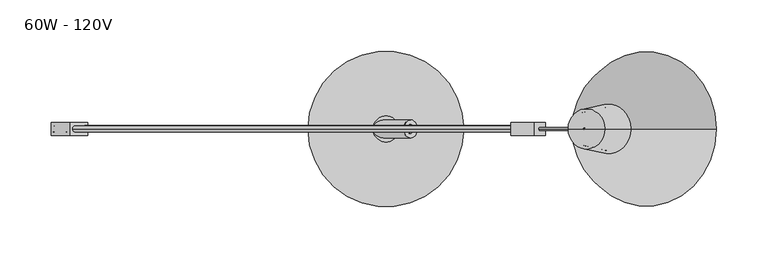
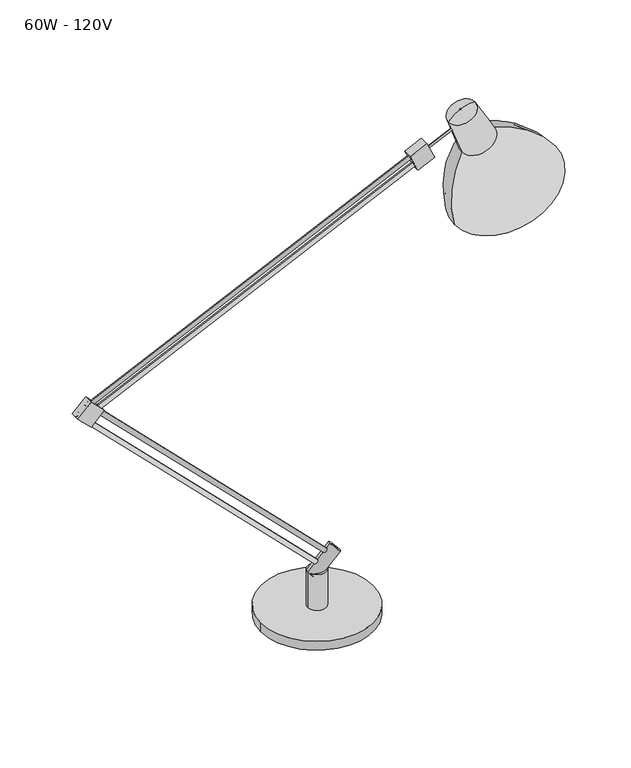
"""IFC4 building model written with IfcOpenShell, lengths in millimetres: light fixture geometry, 60W - 120V."""

from ifc_helpers import new_model, si_unit, point, frame, origin, origin_with_axes, origin_2d, place, context, project, spatial, polyline, circle_curve, ellipse_curve, trimmed, segment, composite_curve, outline, extrude, source, transform, mapped, element, save
from ifc_brep_helpers import plane_surface, cylinder_surface, revolved_surface, advanced_brep


def light_fixture_60w_120v_4844b612(model_context):
    return source(origin(), model_context, "Body", "SolidModel", [
        advanced_brep(
        [(323.1317321, 0.0, 555.0810324), (186.1348137, 0.0, 491.1983202), (195.9295385, 0.0, 591.5959935), (239.9267246, 0.0, 612.1122183), (321.1881543, 0.0, 553.9589072), (188.2437192, 0.0, 491.965899), (237.1689067, 0.0, 610.5199914), (198.9219463, 0.0, 592.6851409), (211.7689067, 0.0, 654.5140819), (181.547323, 0.0, 640.421526), (195.4961647, 0.0, 651.5995573), (194.2398953, 0.0, 651.0137493), (194.5181424, 0.0, 653.6969331), (193.2618729, 0.0, 653.111125), (213.940532, 0.0, 657.1216244), (178.1539358, 0.0, 640.4340605)],
        [
            (0, 1, circle_curve(frame((254.6332729, 0.0, 523.1396763), z_axis=(-0.4226182617406946, 0.0, 0.9063077870366523), x_axis=(-0.9063077870366523, 0.0, -0.4226182617406946)), 75.5796874)),
            (1, 2, circle_curve(frame((334.1432405, 0.0, 527.4353443), z_axis=(0.0, 1.0, 0.0), x_axis=(1.0, 0.0, 0.0)), 152.3798423)),
            (2, 3, circle_curve(frame((217.9281316, 0.0, 601.8541059), z_axis=(0.4226182617406946, 0.0, -0.9063077870366523), x_axis=(-0.9063077870366523, 0.0, -0.4226182617406946)), 24.2727619)),
            (3, 0, circle_curve(frame((200.2345783, 0.0, 464.9927096), z_axis=(0.0, 1.0, 0.0), x_axis=(-0.6427876096865476, 0.0, -0.7660444431189712)), 152.3798423)),
            (1, 0, circle_curve(frame((254.6332729, 0.0, 523.1396763), z_axis=(-0.4226182617406946, 0.0, 0.9063077870366523), x_axis=(-0.9063077870366523, 0.0, -0.4226182617406946)), 75.5796874)),
            (3, 2, circle_curve(frame((217.9281316, 0.0, 601.8541059), z_axis=(0.4226182617406946, 0.0, -0.9063077870366523), x_axis=(-0.9063077870366523, 0.0, -0.4226182617406946)), 24.2727619)),
            (4, 5, circle_curve(frame((254.7159368, 0.0, 522.9624031), z_axis=(-0.4226182617406946, 0.0, 0.9063077870366523), x_axis=(-0.9063077870366523, 0.0, -0.4226182617406946)), 73.3439771)),
            (5, 1),
            (0, 4),
            (5, 4, circle_curve(frame((254.7159368, 0.0, 522.9624031), z_axis=(-0.4226182617406946, 0.0, 0.9063077870366523), x_axis=(-0.9063077870366523, 0.0, -0.4226182617406946)), 73.3439771)),
            (6, 7, circle_curve(frame((218.0454265, 0.0, 601.6025661), z_axis=(-0.4226182617406946, 0.0, 0.9063077870366523), x_axis=(-0.9063077870366523, 0.0, -0.4226182617406946)), 21.1004258)),
            (7, 5, circle_curve(frame((336.5004074, 0.0, 527.1734369), z_axis=(0.0, -1.0, 0.0), x_axis=(1.0, 0.0, 0.0)), 152.3798423)),
            (4, 6, circle_curve(frame((198.9200533, 0.0, 463.0186641), z_axis=(0.0, -1.0, 0.0), x_axis=(-0.6427876096865476, 0.0, -0.7660444431189712)), 152.3798423)),
            (7, 6, circle_curve(frame((218.0454265, 0.0, 601.6025661), z_axis=(-0.4226182617406946, 0.0, 0.9063077870366523), x_axis=(-0.9063077870366523, 0.0, -0.4226182617406946)), 21.1004258)),
            (8, 9, circle_curve(frame((196.6581149, 0.0, 647.4678039), z_axis=(-0.4226182617406946, 0.0, 0.9063077870366523), x_axis=(-0.9063077870366523, 0.0, -0.4226182617406946)), 16.672914)),
            (9, 7),
            (6, 8),
            (9, 8, circle_curve(frame((196.6581149, 0.0, 647.4678039), z_axis=(-0.4226182617406946, 0.0, 0.9063077870366523), x_axis=(-0.9063077870366523, 0.0, -0.4226182617406946)), 16.672914)),
            (10, 11, circle_curve(frame((194.86803, 0.0, 651.3066533), z_axis=(-0.4226182617406946, 0.0, 0.9063077870366523), x_axis=(-0.9063077870366523, 0.0, -0.4226182617406946)), 0.69307)),
            (11, 9, circle_curve(frame((201.2583854, 0.0, 629.7027384), z_axis=(0.0, -1.0, 0.0), x_axis=(1.0, 0.0, 0.0)), 22.4369871)),
            (8, 10, circle_curve(frame((207.3099477, 0.0, 632.5246282), z_axis=(0.0, -1.0, 0.0), x_axis=(-0.6427876096865476, 0.0, -0.7660444431189712)), 22.4369871)),
            (11, 10, circle_curve(frame((194.86803, 0.0, 651.3066533), z_axis=(-0.4226182617406946, 0.0, 0.9063077870366523), x_axis=(-0.9063077870366523, 0.0, -0.4226182617406946)), 0.69307)),
            (12, 13, circle_curve(frame((193.8900076, 0.0, 653.404029), z_axis=(-0.4226182617406946, 0.0, 0.9063077870366523), x_axis=(-0.9063077870366523, 0.0, -0.4226182617406946)), 0.69307)),
            (13, 11),
            (10, 12),
            (13, 12, circle_curve(frame((193.8900076, 0.0, 653.404029), z_axis=(-0.4226182617406946, 0.0, 0.9063077870366523), x_axis=(-0.9063077870366523, 0.0, -0.4226182617406946)), 0.69307)),
            (14, 15, circle_curve(frame((196.0472339, 0.0, 648.7778424), z_axis=(-0.4226182617406946, 0.0, 0.9063077870366523), x_axis=(-0.9063077870366523, 0.0, -0.4226182617406946)), 19.74307)),
            (15, 13, circle_curve(frame((205.2310579, 0.0, 623.5058043), z_axis=(0.0, 1.0, 0.0), x_axis=(1.0, 0.0, 0.0)), 31.9333118)),
            (12, 14, circle_curve(frame((209.5034899, 0.0, 625.4980721), z_axis=(0.0, 1.0, 0.0), x_axis=(-0.6427876096865476, 0.0, -0.7660444431189712)), 31.9333118)),
            (15, 14, circle_curve(frame((196.0472339, 0.0, 648.7778424), z_axis=(-0.4226182617406946, 0.0, 0.9063077870366523), x_axis=(-0.9063077870366523, 0.0, -0.4226182617406946)), 19.74307)),
            (2, 15),
            (14, 3),
        ],
        [
            revolved_surface(trimmed(ellipse_curve(frame((334.1432405, 0.0, 527.4353443), z_axis=(0.0, -1.0, 0.0), x_axis=(1.0, 0.0, 0.0)), 152.3798423, 152.3798423), [point((195.9295385, 0.0, 591.5959935))], [point((186.1348137, 0.0, 491.1983202))], True, "CARTESIAN"), (147.4850388, 0.0, 752.9198057), (0.4226182617406946, 0.0, -0.9063077870366523)),
            revolved_surface(polyline([(186.1348137, 0.0, 491.1983202), (188.2437192, 0.0, 491.965899)]), (147.4850388, 0.0, 752.9198057), (0.4226182617406946, 0.0, -0.9063077870366523)),
            revolved_surface(trimmed(ellipse_curve(frame((336.5004074, 0.0, 527.1734369), z_axis=(0.0, 1.0, 0.0), x_axis=(1.0, 0.0, 0.0)), 152.3798423, 152.3798423), [point((188.2437192, 0.0, 491.965899))], [point((198.9219463, 0.0, 592.6851409))], True, "CARTESIAN"), (147.4850388, 0.0, 752.9198057), (0.4226182617406946, 0.0, -0.9063077870366523)),
            revolved_surface(polyline([(198.9219463, 0.0, 592.6851409), (181.547323, 0.0, 640.421526)]), (147.4850388, 0.0, 752.9198057), (0.4226182617406946, 0.0, -0.9063077870366523)),
            revolved_surface(trimmed(ellipse_curve(frame((201.2583854, 0.0, 629.7027384), z_axis=(0.0, 1.0, 0.0), x_axis=(1.0, 0.0, 0.0)), 22.4369871, 22.4369871), [point((181.547323, 0.0, 640.421526))], [point((194.2398953, 0.0, 651.0137493))], True, "CARTESIAN"), (147.4850388, 0.0, 752.9198057), (0.4226182617406946, 0.0, -0.9063077870366523)),
            revolved_surface(polyline([(194.23989521535498, 0.0, 651.0137492186036), (193.26187283521244, 0.0, 653.1111249812326)]), (147.4850388, 0.0, 752.9198057), (0.4226182617406946, 0.0, -0.9063077870366523)),
            revolved_surface(trimmed(ellipse_curve(frame((205.2310579, 0.0, 623.5058043), z_axis=(0.0, -1.0, 0.0), x_axis=(1.0, 0.0, 0.0)), 31.9333118, 31.9333118), [point((193.2618729, 0.0, 653.111125))], [point((178.1539358, 0.0, 640.4340605))], True, "CARTESIAN"), (147.4850388, 0.0, 752.9198057), (0.4226182617406946, 0.0, -0.9063077870366523)),
            revolved_surface(polyline([(178.1539358, 0.0, 640.4340605), (195.9295385, 0.0, 591.5959935)]), (147.4850388, 0.0, 752.9198057), (0.4226182617406946, 0.0, -0.9063077870366523)),
        ],
        [
            (0, [[1, 2, 3, 4]]),
            (0, [[5, -4, 6, -2]]),
            (1, [[7, 8, -1, 9]]),
            (1, [[10, -9, -5, -8]]),
            (2, [[11, 12, -7, 13]]),
            (2, [[14, -13, -10, -12]]),
            (3, [[15, 16, -11, 17]]),
            (3, [[18, -17, -14, -16]]),
            (4, [[19, 20, -15, 21]]),
            (4, [[22, -21, -18, -20]]),
            (5, [[23, 24, -19, 25]]),
            (5, [[26, -25, -22, -24]]),
            (6, [[27, 28, -23, 29]]),
            (6, [[30, -29, -26, -28]]),
            (7, [[-3, 31, -27, 32]]),
            (7, [[-6, -32, -30, -31]]),
        ],
    ),
        advanced_brep(
        [(185.4701526, 0.0, 628.751947), (184.1283396, 0.0, 631.6294742), (184.7992461, 0.0, 630.1907106), (150.9398259, 0.0, 612.6501912), (149.5980129, 0.0, 615.5277185), (150.2689194, 0.0, 614.0889548)],
        [
            (0, 1, circle_curve(frame((184.7992461, 0.0, 630.1907106), z_axis=(0.9063077870366512, 0.0, 0.4226182617406969), x_axis=(-0.4226182617406969, 0.0, 0.9063077870366512)), 1.5875)),
            (1, 2),
            (2, 0),
            (1, 0, circle_curve(frame((184.7992461, 0.0, 630.1907106), z_axis=(0.9063077870366512, 0.0, 0.4226182617406969), x_axis=(-0.4226182617406969, 0.0, 0.9063077870366512)), 1.5875)),
            (3, 4, circle_curve(frame((150.2689194, 0.0, 614.0889548), z_axis=(0.9063077870366512, 0.0, 0.4226182617406969), x_axis=(-0.4226182617406969, 0.0, 0.9063077870366512)), 1.5875)),
            (4, 1),
            (0, 3),
            (4, 3, circle_curve(frame((150.2689194, 0.0, 614.0889548), z_axis=(0.9063077870366512, 0.0, 0.4226182617406969), x_axis=(-0.4226182617406969, 0.0, 0.9063077870366512)), 1.5875)),
            (5, 4),
            (3, 5),
        ],
        [
            plane_surface(frame((184.7992461, 0.0, 630.1907106), z_axis=(0.9063077870366512, 0.0, 0.4226182617406969), x_axis=(-0.4226182617406969, 0.0, 0.9063077870366512))),
            cylinder_surface(frame((189.6922676, 0.0, 632.472364), z_axis=(-0.9063077870366512, 0.0, -0.4226182617406969), x_axis=(-0.4226182617406969, 0.0, 0.9063077870366512)), 1.5875),
            plane_surface(frame((150.2689194, 0.0, 614.0889548), z_axis=(-0.9063077870366512, 0.0, -0.4226182617406969), x_axis=(-0.4226182617406969, 0.0, 0.9063077870366512))),
        ],
        [
            (0, [[1, 2, 3]]),
            (0, [[4, -3, -2]]),
            (1, [[5, 6, -1, 7]]),
            (1, [[8, -7, -4, -6]]),
            (2, [[9, -5, 10]]),
            (2, [[-10, -8, -9]]),
        ],
    ),
        extrude(outline(polyline([(0.0, -25.1467906), (0.0, 0.0), (12.7, 0.0), (12.7, -25.1467906), (0.0, -25.1467906)])), frame((133.1279926, -6.35, 591.3454151), z_axis=(-0.42261826174069506, 0.0, 0.906307787036652), x_axis=(0.0, 1.0, 0.0)), (0.0, 0.0, 1.0), 25.4),
        advanced_brep(
        [(141.620863, 0.0, 602.3121594), (142.9626776, 0.0, 599.4346289), (140.2790485, 0.0, 605.18969), (-297.1050895, 0.0, 401.2341168), (-294.4214605, 0.0, 395.4790558), (-295.763275, 0.0, 398.3565863)],
        [
            (0, 1),
            (1, 2, circle_curve(frame((141.620863, 0.0, 602.3121594), z_axis=(0.9063077870366516, 0.0, 0.42261826174069606), x_axis=(0.42261826174069606, 0.0, -0.9063077870366516)), 3.1750037)),
            (2, 0),
            (2, 1, circle_curve(frame((141.620863, 0.0, 602.3121594), z_axis=(0.9063077870366516, 0.0, 0.42261826174069606), x_axis=(0.42261826174069606, 0.0, -0.9063077870366516)), 3.1750037)),
            (3, 4, circle_curve(frame((-295.763275, 0.0, 398.3565863), z_axis=(-0.9063077870366516, 0.0, -0.42261826174069606), x_axis=(0.42261826174069606, 0.0, -0.9063077870366516)), 3.1750037)),
            (4, 5),
            (5, 3),
            (4, 3, circle_curve(frame((-295.763275, 0.0, 398.3565863), z_axis=(-0.9063077870366516, 0.0, -0.42261826174069606), x_axis=(0.42261826174069606, 0.0, -0.9063077870366516)), 3.1750037)),
            (1, 4),
            (3, 2),
        ],
        [
            plane_surface(frame((141.620863, 0.0, 602.3121594), z_axis=(0.9063077870366516, 0.0, 0.42261826174069606), x_axis=(0.42261826174069606, 0.0, -0.9063077870366516))),
            plane_surface(frame((-295.763275, 0.0, 398.3565863), z_axis=(-0.9063077870366516, 0.0, -0.42261826174069606), x_axis=(0.42261826174069606, 0.0, -0.9063077870366516))),
            cylinder_surface(frame((-295.763275, 0.0, 398.3565863), z_axis=(0.9063077870366516, 0.0, 0.42261826174069606), x_axis=(0.42261826174069606, 0.0, -0.9063077870366516)), 3.1750037),
        ],
        [
            (0, [[1, 2, 3]]),
            (0, [[-3, 4, -1]]),
            (1, [[5, 6, 7]]),
            (1, [[8, -7, -6]]),
            (2, [[-2, 9, -5, 10]]),
            (2, [[-4, -10, -8, -9]]),
        ],
    ),
        advanced_brep(
        [(134.5644626, 0.0, 609.7426468), (132.0426791, 0.0, 615.150629), (133.3035708, 0.0, 612.4466379), (-303.8038477, 0.0, 405.3281466), (-306.3256312, 0.0, 410.7361288), (-304.0805672, 0.0, 408.4910648)],
        [
            (0, 1, circle_curve(frame((133.3035708, 0.0, 612.4466379), z_axis=(0.9063077870366515, 0.0, 0.42261826174069633), x_axis=(-0.42261826174069633, 0.0, 0.9063077870366515)), 2.9835241)),
            (1, 2),
            (2, 0),
            (1, 0, circle_curve(frame((133.3035708, 0.0, 612.4466379), z_axis=(0.9063077870366515, 0.0, 0.42261826174069633), x_axis=(-0.42261826174069633, 0.0, 0.9063077870366515)), 2.9835241)),
            (3, 4, circle_curve(frame((-305.0647395, 0.0, 408.0321377), z_axis=(0.9063077870366515, 0.0, 0.42261826174069633), x_axis=(-0.42261826174069633, 0.0, 0.9063077870366515)), 2.9835241)),
            (4, 1),
            (0, 3),
            (4, 3, circle_curve(frame((-305.0647395, 0.0, 408.0321377), z_axis=(0.9063077870366515, 0.0, 0.42261826174069633), x_axis=(-0.42261826174069633, 0.0, 0.9063077870366515)), 2.9835241)),
            (5, 4),
            (3, 5),
        ],
        [
            plane_surface(frame((133.3035708, 0.0, 612.4466379), z_axis=(0.9063077870366515, 0.0, 0.42261826174069633), x_axis=(-0.42261826174069633, 0.0, 0.9063077870366515))),
            cylinder_surface(frame((-307.9453985, 0.0, 406.6888643), z_axis=(-0.9063077870366515, 0.0, -0.42261826174069633), x_axis=(-0.42261826174069633, 0.0, 0.9063077870366515)), 2.9835241),
            revolved_surface(polyline([(-306.3256312, 0.0, 410.7361288), (-304.0805672, 0.0, 408.4910648)]), (-307.9453985, 0.0, 406.6888643), (-0.9063077870366515, 0.0, -0.42261826174069633)),
        ],
        [
            (0, [[1, 2, 3]]),
            (0, [[4, -3, -2]]),
            (1, [[5, 6, -1, 7]]),
            (1, [[8, -7, -4, -6]]),
            (2, [[9, -5, 10]]),
            (2, [[-10, -8, -9]]),
        ],
    ),
        extrude(outline(polyline([(0.0, -25.3999999), (0.0, 0.0), (12.7, 0.0), (12.7, -25.3999999), (0.0, -25.3999999)])), frame((-327.5068559, -6.35, 395.996329), z_axis=(0.7071067811865582, 0.0, 0.7071067811865369), x_axis=(0.0, 1.0, 0.0)), (0.0, 0.0, 1.0), 25.4),
        advanced_brep(
        [(8.2921221, 0.0, 84.4921221), (12.7822502, 0.0, 88.9822502), (10.5371861, 0.0, 86.7371861), (-315.0856816, 0.0, 407.8699257), (-310.5955535, 0.0, 412.3600538), (-312.8406175, 0.0, 410.1149898)],
        [
            (0, 1, circle_curve(frame((10.5371861, 0.0, 86.7371861), z_axis=(0.7071067811865436, 0.0, -0.7071067811865515), x_axis=(0.7071067811865515, 0.0, 0.7071067811865436)), 3.175)),
            (1, 2),
            (2, 0),
            (1, 0, circle_curve(frame((10.5371861, 0.0, 86.7371861), z_axis=(0.7071067811865436, 0.0, -0.7071067811865515), x_axis=(0.7071067811865515, 0.0, 0.7071067811865436)), 3.175)),
            (3, 4, circle_curve(frame((-312.8406175, 0.0, 410.1149898), z_axis=(0.7071067811865436, 0.0, -0.7071067811865515), x_axis=(0.7071067811865515, 0.0, 0.7071067811865436)), 3.175)),
            (4, 1),
            (0, 3),
            (4, 3, circle_curve(frame((-312.8406175, 0.0, 410.1149898), z_axis=(0.7071067811865436, 0.0, -0.7071067811865515), x_axis=(0.7071067811865515, 0.0, 0.7071067811865436)), 3.175)),
            (5, 4),
            (3, 5),
        ],
        [
            plane_surface(frame((10.5371861, 0.0, 86.7371861), z_axis=(0.7071067811865436, 0.0, -0.7071067811865515), x_axis=(0.7071067811865515, 0.0, 0.7071067811865436))),
            cylinder_surface(frame((13.7727964, 0.0, 83.5015758), z_axis=(-0.7071067811865436, 0.0, 0.7071067811865515), x_axis=(0.7071067811865515, 0.0, 0.7071067811865436)), 3.175),
            plane_surface(frame((-312.8406175, 0.0, 410.1149898), z_axis=(-0.7071067811865436, 0.0, 0.7071067811865515), x_axis=(0.7071067811865515, 0.0, 0.7071067811865436))),
        ],
        [
            (0, [[1, 2, 3]]),
            (0, [[4, -3, -2]]),
            (1, [[5, 6, -1, 7]]),
            (1, [[8, -7, -4, -6]]),
            (2, [[9, -5, 10]]),
            (2, [[-10, -8, -9]]),
        ],
    ),
        advanced_brep(
        [(0.2724925, 0.0, 77.1972367), (-4.2176356, 0.0, 72.7071087), (-327.5068559, 0.0, 395.996329), (-323.0167279, 0.0, 400.4864571), (-1.9725715, 0.0, 74.9521727), (-325.2617919, 0.0, 398.2413931)],
        [
            (0, 1, circle_curve(frame((-1.9725715, 0.0, 74.9521727), z_axis=(-0.70710678118654, 0.0, 0.707106781186555), x_axis=(-0.707106781186555, 0.0, -0.70710678118654)), 3.175)),
            (1, 2),
            (2, 3, circle_curve(frame((-325.2617919, 0.0, 398.2413931), z_axis=(0.70710678118654, 0.0, -0.707106781186555), x_axis=(-0.707106781186555, 0.0, -0.70710678118654)), 3.175)),
            (3, 0),
            (1, 0, circle_curve(frame((-1.9725715, 0.0, 74.9521727), z_axis=(-0.70710678118654, 0.0, 0.707106781186555), x_axis=(-0.707106781186555, 0.0, -0.70710678118654)), 3.175)),
            (3, 2, circle_curve(frame((-325.2617919, 0.0, 398.2413931), z_axis=(0.70710678118654, 0.0, -0.707106781186555), x_axis=(-0.707106781186555, 0.0, -0.70710678118654)), 3.175)),
            (4, 1),
            (0, 4),
            (2, 5),
            (5, 3),
        ],
        [
            cylinder_surface(frame((-1.9725715, 0.0, 74.9521727), z_axis=(0.70710678118654, 0.0, -0.707106781186555), x_axis=(-0.707106781186555, 0.0, -0.70710678118654)), 3.175),
            plane_surface(frame((-1.9725715, 0.0, 74.9521727), z_axis=(0.70710678118654, 0.0, -0.707106781186555), x_axis=(-0.707106781186555, 0.0, -0.70710678118654))),
            plane_surface(frame((-325.2617919, 0.0, 398.2413931), z_axis=(-0.70710678118654, 0.0, 0.707106781186555), x_axis=(-0.707106781186555, 0.0, -0.70710678118654))),
        ],
        [
            (0, [[1, 2, 3, 4]]),
            (0, [[5, -4, 6, -2]]),
            (1, [[7, -1, 8]]),
            (1, [[-8, -5, -7]]),
            (2, [[-3, 9, 10]]),
            (2, [[-6, -10, -9]]),
        ],
    ),
        advanced_brep(
        [(0.0, 0.0, 50.8), (-12.7, 0.0, 63.5), (17.6083644, 0.0, 93.8083644), (30.3083644, 0.0, 81.1083644), (0.0, 0.0, 57.5351921), (-5.9648079, 0.0, 63.5), (26.9407684, 0.0, 84.4759605), (20.9759605, 0.0, 90.4407684)],
        [
            (0, 1, circle_curve(frame((-6.35, 0.0, 57.15), z_axis=(0.7071067811865511, 0.0, 0.707106781186544), x_axis=(-0.707106781186544, 0.0, 0.7071067811865511)), 8.9802561)),
            (1, 2),
            (2, 3, circle_curve(frame((23.9583644, 0.0, 87.4583644), z_axis=(-0.7071067811865511, 0.0, -0.707106781186544), x_axis=(-0.707106781186544, 0.0, 0.7071067811865511)), 8.9802561)),
            (3, 0),
            (1, 0, circle_curve(frame((-6.35, 0.0, 57.15), z_axis=(0.7071067811865511, 0.0, 0.707106781186544), x_axis=(-0.707106781186544, 0.0, 0.7071067811865511)), 8.9802561)),
            (3, 2, circle_curve(frame((23.9583644, 0.0, 87.4583644), z_axis=(-0.7071067811865511, 0.0, -0.707106781186544), x_axis=(-0.707106781186544, 0.0, 0.7071067811865511)), 8.9802561)),
            (4, 5, circle_curve(frame((-2.982404, 0.0, 60.517596), z_axis=(0.7071067811865511, 0.0, 0.707106781186544), x_axis=(-0.707106781186544, 0.0, 0.7071067811865511)), 4.2177561)),
            (5, 1),
            (0, 4),
            (5, 4, circle_curve(frame((-2.982404, 0.0, 60.517596), z_axis=(0.7071067811865511, 0.0, 0.707106781186544), x_axis=(-0.707106781186544, 0.0, 0.7071067811865511)), 4.2177561)),
            (6, 7, circle_curve(frame((23.9583644, 0.0, 87.4583644), z_axis=(0.7071067811865511, 0.0, 0.707106781186544), x_axis=(-0.707106781186544, 0.0, 0.7071067811865511)), 4.2177561)),
            (7, 5),
            (4, 6),
            (7, 6, circle_curve(frame((23.9583644, 0.0, 87.4583644), z_axis=(0.7071067811865511, 0.0, 0.707106781186544), x_axis=(-0.707106781186544, 0.0, 0.7071067811865511)), 4.2177561)),
            (2, 7),
            (6, 3),
        ],
        [
            cylinder_surface(frame((-24.3105122, 0.0, 39.1894878), z_axis=(-0.7071067811865511, 0.0, -0.707106781186544), x_axis=(-0.707106781186544, 0.0, 0.7071067811865511)), 8.9802561),
            revolved_surface(polyline([(-12.7, 0.0, 63.5), (-5.9648079, 0.0, 63.5)]), (-24.3105122, 0.0, 39.1894878), (-0.7071067811865511, 0.0, -0.707106781186544)),
            revolved_surface(polyline([(-5.964807939700805, 0.0, 63.49999993970084), (20.975960510299352, 0.0, 90.44076838970074)]), (-24.3105122, 0.0, 39.1894878), (-0.7071067811865511, 0.0, -0.707106781186544)),
            plane_surface(frame((23.9583644, 0.0, 87.4583644), z_axis=(0.7071067811865511, 0.0, 0.707106781186544), x_axis=(-0.707106781186544, 0.0, 0.7071067811865511))),
        ],
        [
            (0, [[1, 2, 3, 4]]),
            (0, [[5, -4, 6, -2]]),
            (1, [[7, 8, -1, 9]]),
            (1, [[10, -9, -5, -8]]),
            (2, [[11, 12, -7, 13]]),
            (2, [[14, -13, -10, -12]]),
            (3, [[-3, 15, -11, 16]]),
            (3, [[-6, -16, -14, -15]]),
        ],
    ),
        advanced_brep(
        [(12.7, 0.0, 12.7), (-12.7, 0.0, 12.7), (-12.7, 0.0, 63.5), (12.7, 0.0, 63.5), (0.0, 0.0, 12.7), (0.0, 0.0, 63.5)],
        [
            (0, 1, circle_curve(frame((0.0, 0.0, 12.7), z_axis=(0.0, 0.0, 1.0), x_axis=(-1.0, 0.0, 0.0)), 12.7)),
            (1, 2),
            (2, 3, circle_curve(frame((0.0, 0.0, 63.5), z_axis=(0.0, 0.0, -1.0), x_axis=(-1.0, 0.0, 0.0)), 12.7)),
            (3, 0),
            (1, 0, circle_curve(frame((0.0, 0.0, 12.7), z_axis=(0.0, 0.0, 1.0), x_axis=(-1.0, 0.0, 0.0)), 12.7)),
            (3, 2, circle_curve(frame((0.0, 0.0, 63.5), z_axis=(0.0, 0.0, -1.0), x_axis=(-1.0, 0.0, 0.0)), 12.7)),
            (4, 1),
            (0, 4),
            (2, 5),
            (5, 3),
        ],
        [
            cylinder_surface(frame((0.0, 0.0, 215.9), z_axis=(0.0, 0.0, -1.0), x_axis=(-1.0, 0.0, 0.0)), 12.7),
            plane_surface(frame((0.0, 0.0, 12.7), z_axis=(0.0, 0.0, -1.0), x_axis=(-1.0, 0.0, 0.0))),
            plane_surface(frame((0.0, 0.0, 63.5), z_axis=(0.0, 0.0, 1.0), x_axis=(-1.0, 0.0, 0.0))),
        ],
        [
            (0, [[1, 2, 3, 4]]),
            (0, [[5, -4, 6, -2]]),
            (1, [[7, -1, 8]]),
            (1, [[-8, -5, -7]]),
            (2, [[-3, 9, 10]]),
            (2, [[-6, -10, -9]]),
        ],
    ),
        extrude(outline(composite_curve([segment(trimmed(circle_curve(origin_2d(), 76.2), [point((-76.2, 0.0))], [point((76.2, 0.0))], False, "CARTESIAN"), True, "CONTINUOUS"), segment(trimmed(circle_curve(origin_2d(), 76.2), [point((76.2, 0.0))], [point((-76.2, 0.0))], False, "CARTESIAN"), True, "CONTINUOUS")], self_intersect=False)), origin_with_axes(), (0.0, 0.0, 1.0), 12.7),
    ])


if __name__ == "__main__":
    model = new_model("IFC4")
    model_context = context("Model", 3, world=origin())
    ifc_project = project(units=[si_unit("LENGTHUNIT", "METRE", prefix="MILLI")], contexts=[model_context])
    site = spatial("IfcSite", under=ifc_project)
    building = spatial("IfcBuilding", under=site)
    placement = place(None, origin())
    light_fixture_60w_120v_shape = light_fixture_60w_120v_4844b612(model_context)
    element("IfcLightFixture", 1, ObjectType="60W - 120V", at=placement, inside=building, context=model_context, shape_type="MappedRepresentation", body=[
        mapped(light_fixture_60w_120v_shape, transform((0.0, 0.0, 0.0), x_axis=(1.0, 0.0, 0.0), y_axis=(0.0, 1.0, 0.0), z_axis=(0.0, 0.0, 1.0))),
    ])
    save(model, "model.ifc")
